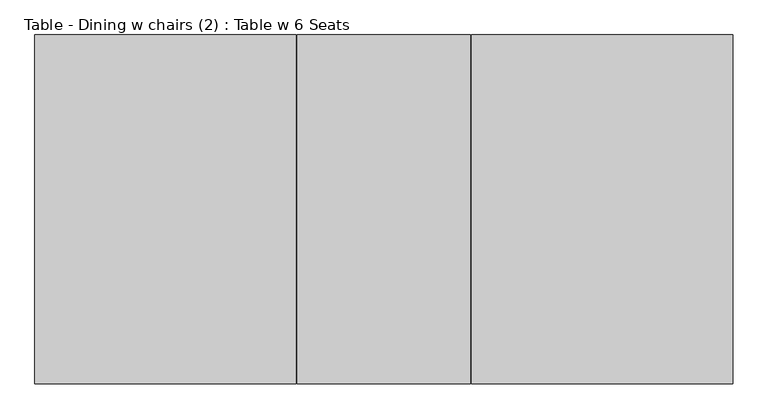
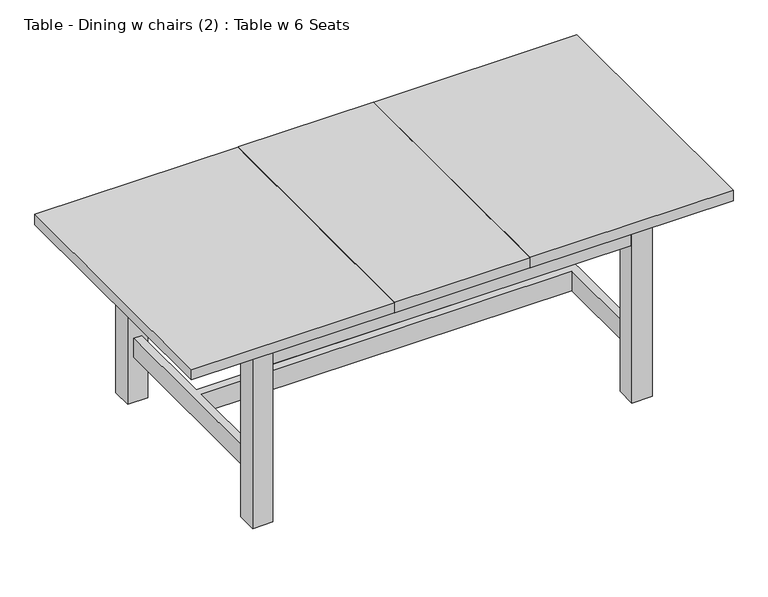
"""IFC4 building model written with IfcOpenShell, lengths in millimetres: furniture geometry, Table - Dining w chairs (2) : Table w 6 Seats."""

from ifc_helpers import new_model, si_unit, frame, origin, origin_with_axes, place, context, project, spatial, polyline, outline, extrude, faceted_brep, source, transform, mapped, element, save


def table_dining_w_chairs_2_table_w_6_seats_35fc11de(model_context):
    return source(origin(), model_context, "Body", "SolidModel", [
        extrude(outline(polyline([(-544.3212781, 474.3546292), (780.6787219, 474.3546292), (780.6787219, 454.3546292), (-544.3212781, 454.3546292), (-544.3212781, 474.3546292)])), frame((0.0, 0.0, 610.0), z_axis=(0.0, 0.0, 1.0), x_axis=(1.0, 0.0, 0.0)), (0.0, 0.0, 1.0), 100.0),
        extrude(outline(polyline([(-611.8212781, -318.1453708), (-611.8212781, 406.8546292), (-591.8212781, 406.8546292), (-591.8212781, -318.1453708), (-611.8212781, -318.1453708)])), frame((0.0, 0.0, 610.0), z_axis=(0.0, 0.0, 1.0), x_axis=(1.0, 0.0, 0.0)), (0.0, 0.0, 1.0), 100.0),
        extrude(outline(polyline([(780.6787219, -385.6453708), (-544.3212781, -385.6453708), (-544.3212781, -365.6453708), (780.6787219, -365.6453708), (780.6787219, -385.6453708)])), frame((0.0, 0.0, 610.0), z_axis=(0.0, 0.0, 1.0), x_axis=(1.0, 0.0, 0.0)), (0.0, 0.0, 1.0), 100.0),
        extrude(outline(polyline([(848.1787219, 406.8546292), (848.1787219, -318.1453708), (828.1787219, -318.1453708), (828.1787219, 406.8546292), (848.1787219, 406.8546292)])), frame((0.0, 0.0, 610.0), z_axis=(0.0, 0.0, 1.0), x_axis=(1.0, 0.0, 0.0)), (0.0, 0.0, 1.0), 100.0),
        extrude(outline(polyline([(-566.8212781, -318.1453708), (-596.8212781, -318.1453708), (-596.8212781, 406.8546292), (-566.8212781, 406.8546292), (-566.8212781, 59.3546292), (803.1787219, 59.3546292), (803.1787219, 406.8546292), (833.1787219, 406.8546292), (833.1787219, -318.1453708), (803.1787219, -318.1453708), (803.1787219, 29.3546292), (-566.8212781, 29.3546292), (-566.8212781, -318.1453708)])), frame((0.0, 0.0, 175.0), z_axis=(0.0, 0.0, 1.0), x_axis=(1.0, 0.0, 0.0)), (0.0, 0.0, 1.0), 75.0),
        extrude(outline(polyline([(-544.3212781, -393.1453708), (-619.3212781, -393.1453708), (-619.3212781, -318.1453708), (-544.3212781, -318.1453708), (-544.3212781, -393.1453708)])), origin_with_axes(), (0.0, 0.0, 1.0), 710.0),
        extrude(outline(polyline([(780.6787219, 481.8546292), (855.6787219, 481.8546292), (855.6787219, 406.8546292), (780.6787219, 406.8546292), (780.6787219, 481.8546292)])), origin_with_axes(), (0.0, 0.0, 1.0), 710.0),
        extrude(outline(polyline([(780.6787219, -318.1453708), (855.6787219, -318.1453708), (855.6787219, -393.1453708), (780.6787219, -393.1453708), (780.6787219, -318.1453708)])), origin_with_axes(), (0.0, 0.0, 1.0), 710.0),
        extrude(outline(polyline([(-544.3212781, 481.8546292), (-544.3212781, 406.8546292), (-619.3212781, 406.8546292), (-619.3212781, 481.8546292), (-544.3212781, 481.8546292)])), origin_with_axes(), (0.0, 0.0, 1.0), 710.0),
        faceted_brep([(1118.1787219, -455.6453708, 750.0), (1118.1787219, 544.3546292, 750.0), (369.6787219, 544.3546292, 750.0), (369.6787219, -455.6453708, 750.0), (-881.8212781, 544.3546292, 750.0), (-881.8212781, -455.6453708, 750.0), (-133.3212781, -455.6453708, 750.0), (-133.3212781, 544.3546292, 750.0), (366.6787219, 544.3546292, 750.0), (-130.3212781, 544.3546292, 750.0), (-130.3212781, -455.6453708, 750.0), (366.6787219, -455.6453708, 750.0), (-881.8212781, -455.6453708, 710.0), (-881.8212781, 544.3546292, 710.0), (-133.3212781, 544.3546292, 710.0), (-131.8212781, 542.8546292, 710.0), (-130.3212781, 544.3546292, 710.0), (366.6787219, 544.3546292, 710.0), (368.1787219, 542.8546292, 710.0), (369.6787219, 544.3546292, 710.0), (1118.1787219, 544.3546292, 710.0), (1118.1787219, -455.6453708, 710.0), (369.6787219, -455.6453708, 710.0), (368.1787219, -454.1453708, 710.0), (366.6787219, -455.6453708, 710.0), (-130.3212781, -455.6453708, 710.0), (-131.8212781, -454.1453708, 710.0), (-133.3212781, -455.6453708, 710.0), (-131.8212781, 542.8546292, 748.5), (368.1787219, 542.8546292, 748.5), (-131.8212781, -454.1453708, 748.5), (368.1787219, -454.1453708, 748.5)], [[[0, 1, 2, 3]], [[4, 5, 6, 7]], [[8, 9, 10, 11]], [[12, 13, 14, 15, 16, 17, 18, 19, 20, 21, 22, 23, 24, 25, 26, 27]], [[1, 0, 21, 20]], [[1, 20, 19, 2]], [[13, 4, 7, 14]], [[9, 8, 17, 16]], [[5, 4, 13, 12]], [[21, 0, 3, 22]], [[5, 12, 27, 6]], [[11, 10, 25, 24]], [[15, 28, 9, 16]], [[28, 15, 14, 7]], [[18, 29, 2, 19]], [[29, 18, 17, 8]], [[9, 28, 30, 10]], [[28, 7, 6, 30]], [[2, 29, 31, 3]], [[29, 8, 11, 31]], [[10, 30, 26, 25]], [[30, 6, 27, 26]], [[3, 31, 23, 22]], [[31, 11, 24, 23]]]),
    ])


if __name__ == "__main__":
    model = new_model("IFC4")
    model_context = context("Model", 3, world=origin())
    ifc_project = project(units=[si_unit("LENGTHUNIT", "METRE", prefix="MILLI")], contexts=[model_context])
    site = spatial("IfcSite", under=ifc_project)
    building = spatial("IfcBuilding", under=site)
    placement = place(None, origin())
    table_dining_w_chairs_2_table_w_6_seats_shape = table_dining_w_chairs_2_table_w_6_seats_35fc11de(model_context)
    element("IfcFurniture", 1, ObjectType="Table - Dining w chairs (2) : Table w 6 Seats", at=placement, inside=building, context=model_context, shape_type="MappedRepresentation", body=[
        mapped(table_dining_w_chairs_2_table_w_6_seats_shape, transform((0.0, 0.0, 0.0), x_axis=(1.0, 0.0, 0.0), y_axis=(0.0, 1.0, 0.0), z_axis=(0.0, 0.0, 1.0))),
    ])
    save(model, "model.ifc")
